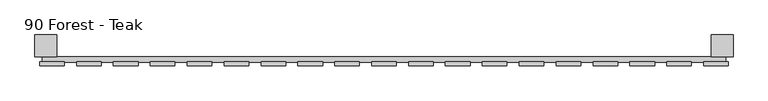
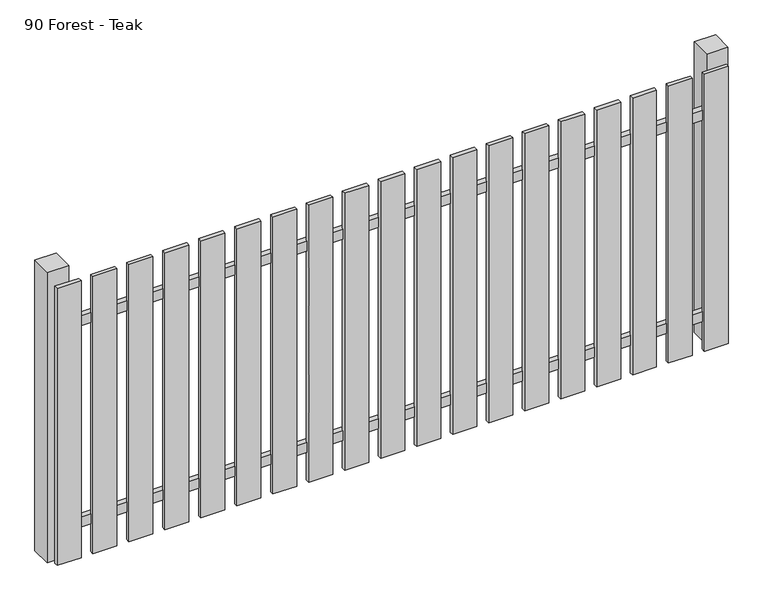
"""IFC4 building model written with IfcOpenShell, lengths in millimetres: railing geometry, 90 Forest - Teak."""

from ifc_helpers import new_model, si_unit, frame, origin, origin_with_axes, place, context, project, spatial, polyline, outline, extrude, source, transform, mapped, element, save


def railing_90_forest_teak_b1f390d5(model_context):
    return source(origin(), model_context, "Body", "SweptSolid", [
        extrude(outline(polyline([(1287.4299228, -85439.0267127), (1287.4299228, -85419.0267127), (3787.4299228, -85419.0267127), (3787.4299228, -85439.0267127), (1287.4299228, -85439.0267127)])), frame((0.0, 0.0, 110.0), z_axis=(0.0, 0.0, 1.0), x_axis=(1.0, 0.0, 0.0)), (0.0, 0.0, 1.0), 40.0),
        extrude(outline(polyline([(1287.4299228, -85439.0267127), (1287.4299228, -85419.0267127), (3787.4299228, -85419.0267127), (3787.4299228, -85439.0267127), (1287.4299228, -85439.0267127)])), frame((0.0, 0.0, 910.0), z_axis=(0.0, 0.0, 1.0), x_axis=(1.0, 0.0, 0.0)), (0.0, 0.0, 1.0), 40.0),
        extrude(outline(polyline([(3707.4299228, -85452.5267127), (3707.4299228, -85437.5267127), (3797.4299228, -85437.5267127), (3797.4299228, -85452.5267127), (3707.4299228, -85452.5267127)])), origin_with_axes(), (0.0, 0.0, 1.0), 1100.0),
        extrude(outline(polyline([(3572.4299228, -85452.5267127), (3572.4299228, -85437.5267127), (3662.4299228, -85437.5267127), (3662.4299228, -85452.5267127), (3572.4299228, -85452.5267127)])), origin_with_axes(), (0.0, 0.0, 1.0), 1100.0),
        extrude(outline(polyline([(3437.4299228, -85452.5267127), (3437.4299228, -85437.5267127), (3527.4299228, -85437.5267127), (3527.4299228, -85452.5267127), (3437.4299228, -85452.5267127)])), origin_with_axes(), (0.0, 0.0, 1.0), 1100.0),
        extrude(outline(polyline([(3302.4299228, -85452.5267127), (3302.4299228, -85437.5267127), (3392.4299228, -85437.5267127), (3392.4299228, -85452.5267127), (3302.4299228, -85452.5267127)])), origin_with_axes(), (0.0, 0.0, 1.0), 1100.0),
        extrude(outline(polyline([(3167.4299228, -85452.5267127), (3167.4299228, -85437.5267127), (3257.4299228, -85437.5267127), (3257.4299228, -85452.5267127), (3167.4299228, -85452.5267127)])), origin_with_axes(), (0.0, 0.0, 1.0), 1100.0),
        extrude(outline(polyline([(3032.4299228, -85452.5267127), (3032.4299228, -85437.5267127), (3122.4299228, -85437.5267127), (3122.4299228, -85452.5267127), (3032.4299228, -85452.5267127)])), origin_with_axes(), (0.0, 0.0, 1.0), 1100.0),
        extrude(outline(polyline([(2897.4299228, -85452.5267127), (2897.4299228, -85437.5267127), (2987.4299228, -85437.5267127), (2987.4299228, -85452.5267127), (2897.4299228, -85452.5267127)])), origin_with_axes(), (0.0, 0.0, 1.0), 1100.0),
        extrude(outline(polyline([(2762.4299228, -85452.5267127), (2762.4299228, -85437.5267127), (2852.4299228, -85437.5267127), (2852.4299228, -85452.5267127), (2762.4299228, -85452.5267127)])), origin_with_axes(), (0.0, 0.0, 1.0), 1100.0),
        extrude(outline(polyline([(2627.4299228, -85452.5267127), (2627.4299228, -85437.5267127), (2717.4299228, -85437.5267127), (2717.4299228, -85452.5267127), (2627.4299228, -85452.5267127)])), origin_with_axes(), (0.0, 0.0, 1.0), 1100.0),
        extrude(outline(polyline([(2492.4299228, -85452.5267127), (2492.4299228, -85437.5267127), (2582.4299228, -85437.5267127), (2582.4299228, -85452.5267127), (2492.4299228, -85452.5267127)])), origin_with_axes(), (0.0, 0.0, 1.0), 1100.0),
        extrude(outline(polyline([(2357.4299228, -85452.5267127), (2357.4299228, -85437.5267127), (2447.4299228, -85437.5267127), (2447.4299228, -85452.5267127), (2357.4299228, -85452.5267127)])), origin_with_axes(), (0.0, 0.0, 1.0), 1100.0),
        extrude(outline(polyline([(2222.4299228, -85452.5267127), (2222.4299228, -85437.5267127), (2312.4299228, -85437.5267127), (2312.4299228, -85452.5267127), (2222.4299228, -85452.5267127)])), origin_with_axes(), (0.0, 0.0, 1.0), 1100.0),
        extrude(outline(polyline([(2087.4299228, -85452.5267127), (2087.4299228, -85437.5267127), (2177.4299228, -85437.5267127), (2177.4299228, -85452.5267127), (2087.4299228, -85452.5267127)])), origin_with_axes(), (0.0, 0.0, 1.0), 1100.0),
        extrude(outline(polyline([(1952.4299228, -85452.5267127), (1952.4299228, -85437.5267127), (2042.4299228, -85437.5267127), (2042.4299228, -85452.5267127), (1952.4299228, -85452.5267127)])), origin_with_axes(), (0.0, 0.0, 1.0), 1100.0),
        extrude(outline(polyline([(1817.4299228, -85452.5267127), (1817.4299228, -85437.5267127), (1907.4299228, -85437.5267127), (1907.4299228, -85452.5267127), (1817.4299228, -85452.5267127)])), origin_with_axes(), (0.0, 0.0, 1.0), 1100.0),
        extrude(outline(polyline([(1682.4299228, -85452.5267127), (1682.4299228, -85437.5267127), (1772.4299228, -85437.5267127), (1772.4299228, -85452.5267127), (1682.4299228, -85452.5267127)])), origin_with_axes(), (0.0, 0.0, 1.0), 1100.0),
        extrude(outline(polyline([(1547.4299228, -85452.5267127), (1547.4299228, -85437.5267127), (1637.4299228, -85437.5267127), (1637.4299228, -85452.5267127), (1547.4299228, -85452.5267127)])), origin_with_axes(), (0.0, 0.0, 1.0), 1100.0),
        extrude(outline(polyline([(1412.4299228, -85452.5267127), (1412.4299228, -85437.5267127), (1502.4299228, -85437.5267127), (1502.4299228, -85452.5267127), (1412.4299228, -85452.5267127)])), origin_with_axes(), (0.0, 0.0, 1.0), 1100.0),
        extrude(outline(polyline([(1277.4299228, -85452.5267127), (1277.4299228, -85437.5267127), (1367.4299228, -85437.5267127), (1367.4299228, -85452.5267127), (1277.4299228, -85452.5267127)])), origin_with_axes(), (0.0, 0.0, 1.0), 1100.0),
        extrude(outline(polyline([(3734.9299228, -85339.0267127), (3814.9299228, -85339.0267127), (3814.9299228, -85419.0267127), (3734.9299228, -85419.0267127), (3734.9299228, -85339.0267127)])), frame((0.0, 0.0, -4.0), z_axis=(0.0, 0.0, 1.0), x_axis=(1.0, 0.0, 0.0)), (0.0, 0.0, 1.0), 1154.0),
        extrude(outline(polyline([(1259.9299228, -85339.0267127), (1339.9299228, -85339.0267127), (1339.9299228, -85419.0267127), (1259.9299228, -85419.0267127), (1259.9299228, -85339.0267127)])), frame((0.0, 0.0, -4.0), z_axis=(0.0, 0.0, 1.0), x_axis=(1.0, 0.0, 0.0)), (0.0, 0.0, 1.0), 1154.0),
    ])


if __name__ == "__main__":
    model = new_model("IFC4")
    model_context = context("Model", 3, world=origin())
    ifc_project = project(units=[si_unit("LENGTHUNIT", "METRE", prefix="MILLI")], contexts=[model_context])
    site = spatial("IfcSite", under=ifc_project)
    building = spatial("IfcBuilding", under=site)
    placement = place(None, origin())
    railing_90_forest_teak_shape = railing_90_forest_teak_b1f390d5(model_context)
    element("IfcRailing", 1, ObjectType="90 Forest - Teak", at=placement, inside=building, context=model_context, shape_type="MappedRepresentation", body=[
        mapped(railing_90_forest_teak_shape, transform((0.0, 0.0, 0.0), x_axis=(1.0, 0.0, 0.0), y_axis=(0.0, 1.0, 0.0), z_axis=(0.0, 0.0, 1.0))),
    ])
    save(model, "model.ifc")
